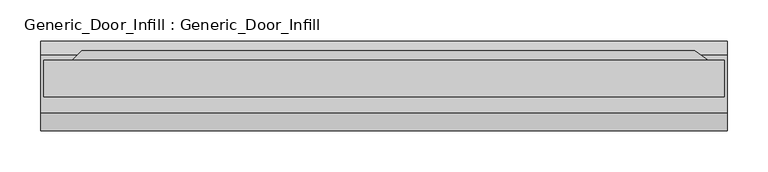
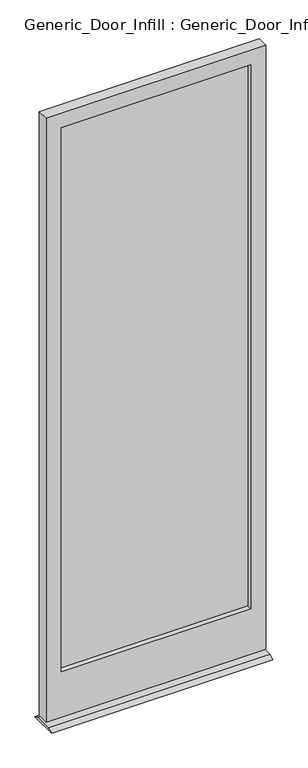
"""IFC4 building model written with IfcOpenShell, lengths in millimetres: plate geometry, Generic_Door_Infill : Generic_Door_Infill."""

from ifc_helpers import new_model, si_unit, frame, origin, place, context, project, spatial, polyline, outline, extrude, source, transform, mapped, element, save


def generic_door_infill_generic_door_infill_e8f83ae2(model_context):
    return source(origin(), model_context, "Body", "SweptSolid", [
        extrude(outline(polyline([(-369.3894878, 35.8230014), (379.8567123, 35.8230014), (405.5069821, 17.8624892), (-387.35, 17.8624892), (-369.3894878, 35.8230014)])), frame((0.0, 0.0, 1090.3849987), z_axis=(0.0, 0.0, 1.0), x_axis=(1.0, 0.0, 0.0)), (0.0, 0.0, 1.0), 78.0150013),
        extrude(outline(polyline([(-358.775, -1.1875108), (-358.775, 5.1624892), (358.775, 5.1624892), (358.775, -1.1875108), (-358.775, -1.1875108)])), frame((0.0, 0.0, 200.025), z_axis=(0.0, 0.0, 1.0), x_axis=(1.0, 0.0, 0.0)), (0.0, 0.0, 1.0), 2178.0499372),
        extrude(outline(polyline([(2435.2249372, 415.925), (2435.2249372, -415.925), (17.4625, -415.925), (17.4625, 415.925), (2435.2249372, 415.925)]), holes=[polyline([(2378.0749372, 358.775), (200.025, 358.775), (200.025, -358.775), (2378.0749372, -358.775), (2378.0749372, 358.775)])]), frame((0.0, -20.2375108, 0.0), z_axis=(0.0, 1.0, 0.0), x_axis=(0.0, 0.0, 1.0)), (0.0, 0.0, 1.0), 44.45),
        extrude(outline(polyline([(30.5624892, 8.0508779), (47.8276525, 0.0), (-61.407116, 0.0), (-39.2875108, 8.0508779), (30.5624892, 8.0508779)])), frame((-419.1, 0.0, 0.0), z_axis=(1.0, 0.0, 0.0), x_axis=(0.0, 1.0, 0.0)), (0.0, 0.0, 1.0), 838.2),
    ])


if __name__ == "__main__":
    model = new_model("IFC4")
    model_context = context("Model", 3, world=origin())
    ifc_project = project(units=[si_unit("LENGTHUNIT", "METRE", prefix="MILLI")], contexts=[model_context])
    site = spatial("IfcSite", under=ifc_project)
    building = spatial("IfcBuilding", under=site)
    placement = place(None, origin())
    generic_door_infill_generic_door_infill_shape = generic_door_infill_generic_door_infill_e8f83ae2(model_context)
    element("IfcPlate", 1, ObjectType="Generic_Door_Infill : Generic_Door_Infill", at=placement, inside=building, context=model_context, shape_type="MappedRepresentation", body=[
        mapped(generic_door_infill_generic_door_infill_shape, transform((0.0, 0.0, 0.0), x_axis=(1.0, 0.0, 0.0), y_axis=(0.0, 1.0, 0.0), z_axis=(0.0, 0.0, 1.0))),
    ])
    save(model, "model.ifc")
